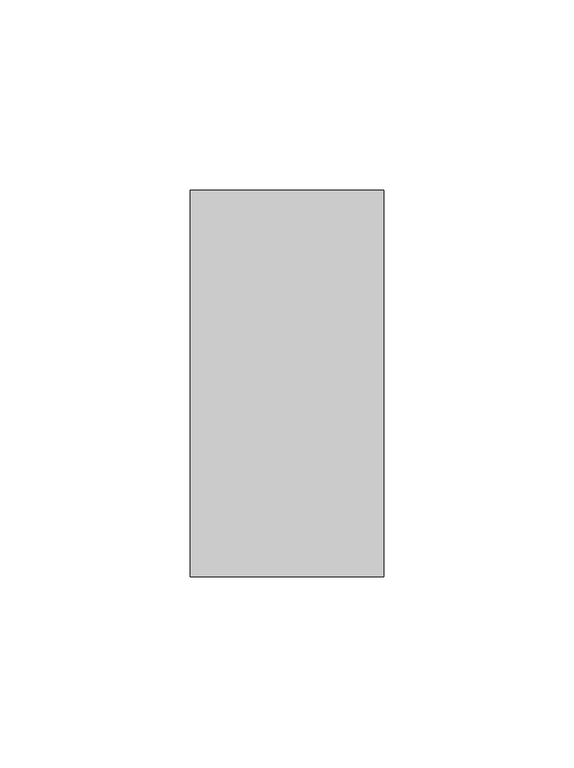
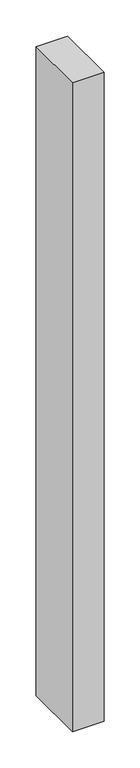
"""IFC4 building model written with IfcOpenShell, lengths in millimetres: proxy geometry."""

from ifc_helpers import new_model, si_unit, origin, origin_with_axes, place, context, project, spatial, polyline, outline, extrude, source, transform, mapped, element, save


def generic_models_dc98d6ec(model_context):
    return source(origin(), model_context, "Body", "SweptSolid", [
        extrude(outline(polyline([(50.8, 0.0), (0.0, 0.0), (0.0, 101.6), (50.8, 101.6), (50.8, 0.0)])), origin_with_axes(), (0.0, 0.0, 1.0), 1100.0),
    ])


if __name__ == "__main__":
    model = new_model("IFC4")
    model_context = context("Model", 3, world=origin())
    ifc_project = project(units=[si_unit("LENGTHUNIT", "METRE", prefix="MILLI")], contexts=[model_context])
    site = spatial("IfcSite", under=ifc_project)
    building = spatial("IfcBuilding", under=site)
    placement = place(None, origin())
    generic_models_shape = generic_models_dc98d6ec(model_context)
    element("IfcBuildingElementProxy", 1, Name="Generic Models", at=placement, inside=building, context=model_context, shape_type="MappedRepresentation", body=[
        mapped(generic_models_shape, transform((0.0, 0.0, 0.0), x_axis=(1.0, 0.0, 0.0), y_axis=(0.0, 1.0, 0.0), z_axis=(0.0, 0.0, 1.0))),
    ])
    save(model, "model.ifc")
